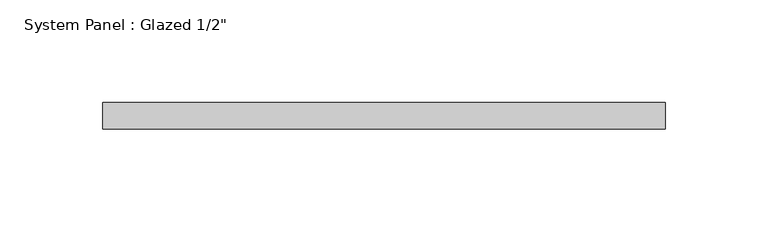
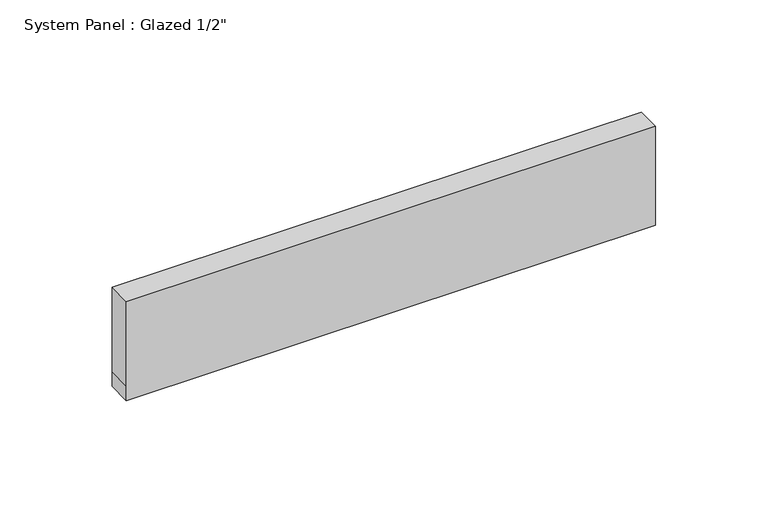
"""IFC4 building model written with IfcOpenShell, lengths in millimetres: plate geometry."""

from ifc_helpers import new_model, si_unit, frame, origin, place, context, project, spatial, polyline, outline, extrude, source, transform, mapped, element, save


def plate_ca1b4e29(model_context):
    return source(origin(), model_context, "Body", "SweptSolid", [
        extrude(outline(polyline([(0.0, -136.525), (0.0, 136.525), (7.9375, 136.525), (53.975, 136.525), (53.975, -136.525), (7.9375, -136.525), (0.0, -136.525)])), frame((0.0, -6.35, 0.0), z_axis=(0.0, 1.0, 0.0), x_axis=(0.0, 0.0, 1.0)), (0.0, 0.0, 1.0), 12.7),
    ])


if __name__ == "__main__":
    model = new_model("IFC4")
    model_context = context("Model", 3, world=origin())
    ifc_project = project(units=[si_unit("LENGTHUNIT", "METRE", prefix="MILLI")], contexts=[model_context])
    site = spatial("IfcSite", under=ifc_project)
    building = spatial("IfcBuilding", under=site)
    placement = place(None, origin())
    plate_shape = plate_ca1b4e29(model_context)
    element("IfcPlate", 1, ObjectType="System Panel : Glazed 1/2\"", at=placement, inside=building, context=model_context, shape_type="MappedRepresentation", body=[
        mapped(plate_shape, transform((0.0, 0.0, 0.0), x_axis=(1.0, 0.0, 0.0), y_axis=(0.0, 1.0, 0.0), z_axis=(0.0, 0.0, 1.0))),
    ])
    save(model, "model.ifc")
